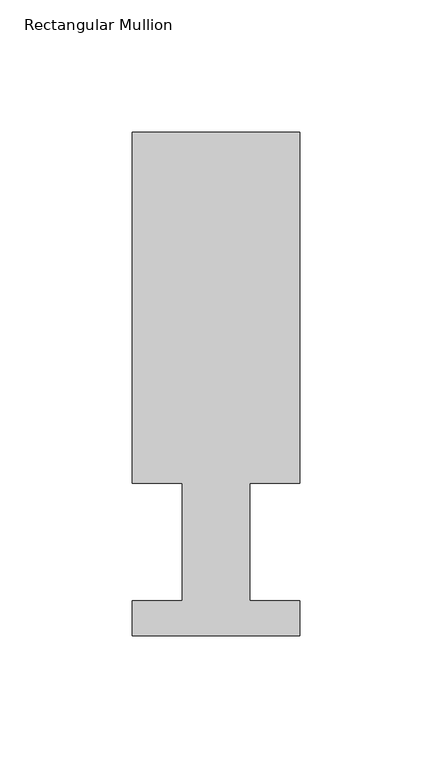
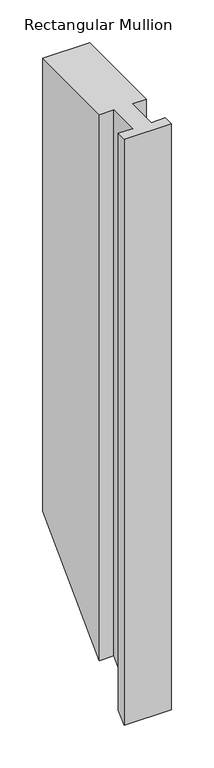
"""IFC4 building model written with IfcOpenShell, lengths in millimetres: member geometry, Rectangular Mullion."""

from ifc_helpers import new_model, si_unit, origin, place, context, project, spatial, faceted_brep, source, transform, mapped, element, save


def rectangular_mullion_a640e962(model_context):
    return source(origin(), model_context, "Body", "Brep", [
        faceted_brep([(-63.5, 190.5896938, 0.0), (-63.5, 57.6460937, 0.0), (-44.45, 57.6460937, 0.0), (-44.45, 13.1960938, 0.0), (-63.5, 13.1960938, 0.0), (-63.5, 0.0134938, 0.0), (0.0, 0.0134938, 0.0), (0.0, 13.1960938, 0.0), (-19.0373, 13.1960938, 0.0), (-19.0373, 57.6460937, 0.0), (0.0, 57.6460937, 0.0), (0.0, 190.5896938, 0.0), (-63.5, 190.5896938, -647.6103062), (-63.5, 57.6460937, -780.5539062), (-44.45, 57.6460937, -780.5539062), (-44.45, 13.1960938, -825.0039062), (-63.5, 13.1960938, -825.0039062), (-63.5, 0.0134938, -838.1865062), (0.0, 0.0134938, -838.1865062), (0.0, 13.1960938, -825.0039062), (-19.0373, 13.1960938, -825.0039062), (-19.0373, 57.6460937, -780.5539062), (0.0, 57.6460937, -780.5539062), (0.0, 190.5896938, -647.6103062)], [[[0, 1, 2, 3, 4, 5, 6, 7, 8, 9, 10, 11]], [[1, 0, 12, 13]], [[2, 1, 13, 14]], [[3, 2, 14, 15]], [[4, 3, 15, 16]], [[5, 4, 16, 17]], [[6, 5, 17, 18]], [[7, 6, 18, 19]], [[8, 7, 19, 20]], [[9, 8, 20, 21]], [[10, 9, 21, 22]], [[11, 10, 22, 23]], [[0, 11, 23, 12]], [[12, 23, 22, 21, 20, 19, 18, 17, 16, 15, 14, 13]]]),
    ])


if __name__ == "__main__":
    model = new_model("IFC4")
    model_context = context("Model", 3, world=origin())
    ifc_project = project(units=[si_unit("LENGTHUNIT", "METRE", prefix="MILLI")], contexts=[model_context])
    site = spatial("IfcSite", under=ifc_project)
    building = spatial("IfcBuilding", under=site)
    placement = place(None, origin())
    rectangular_mullion_shape = rectangular_mullion_a640e962(model_context)
    element("IfcMember", 1, ObjectType="Rectangular Mullion", at=placement, inside=building, context=model_context, shape_type="MappedRepresentation", body=[
        mapped(rectangular_mullion_shape, transform((0.0, 0.0, 0.0), x_axis=(1.0, 0.0, 0.0), y_axis=(0.0, 1.0, 0.0), z_axis=(0.0, 0.0, 1.0))),
    ])
    save(model, "model.ifc")
